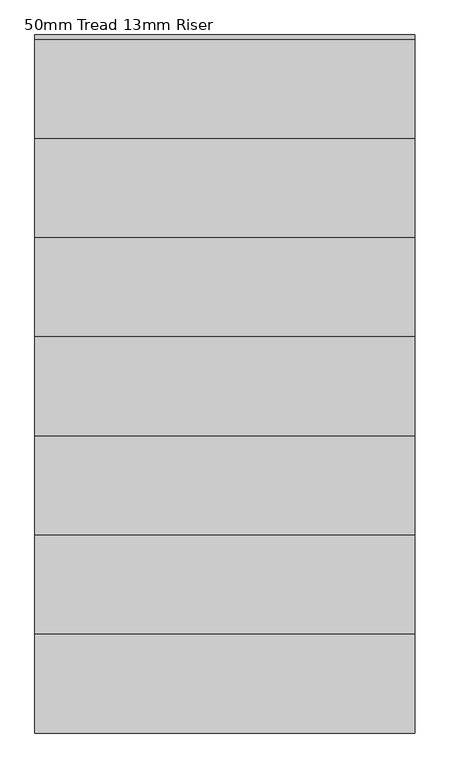
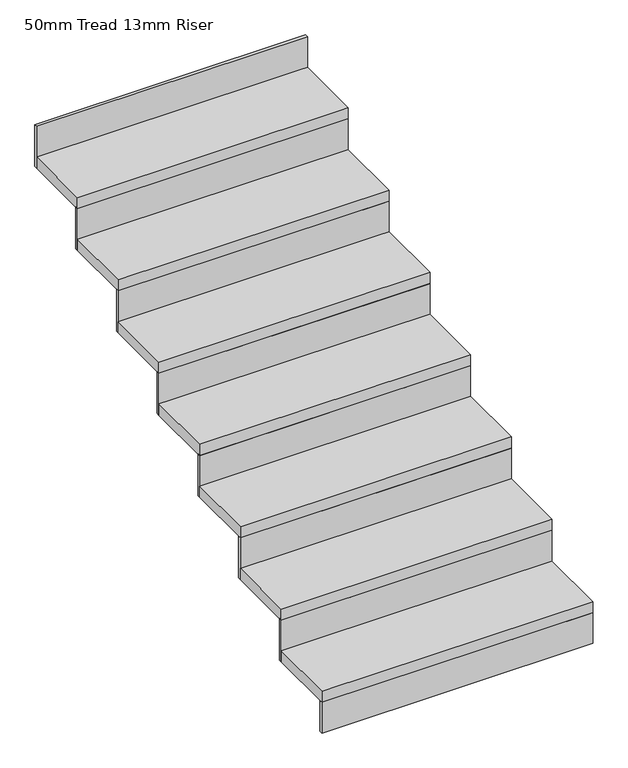
"""IFC4 building model written with IfcOpenShell, lengths in millimetres: stair flight geometry, 50mm Tread 13mm Riser."""

from ifc_helpers import new_model, si_unit, frame, origin, place, context, project, spatial, polyline, outline, extrude, source, transform, mapped, element, save


def stair_flight_50mm_tread_13mm_riser_17ae105f(model_context):
    return source(origin(), model_context, "Body", "SweptSolid", [
        extrude(outline(polyline([(1534.355623, -11459.865151), (1534.355623, -11472.365151), (383.6347234, -11472.365151), (383.6347234, -11459.865151), (1534.355623, -11459.865151)])), frame((0.0, 0.0, 6000.0), z_axis=(0.0, 0.0, 1.0), x_axis=(1.0, 0.0, 0.0)), (0.0, 0.0, 1.0), 137.5),
        extrude(outline(polyline([(383.6347234, -11172.365151), (1534.355623, -11172.365151), (1534.355623, -11472.365151), (383.6347234, -11472.365151), (383.6347234, -11172.365151)])), frame((0.0, 0.0, 6137.5), z_axis=(0.0, 0.0, 1.0), x_axis=(1.0, 0.0, 0.0)), (0.0, 0.0, 1.0), 50.0),
        extrude(outline(polyline([(1534.355623, -11159.865151), (1534.355623, -11172.365151), (383.6347234, -11172.365151), (383.6347234, -11159.865151), (1534.355623, -11159.865151)])), frame((0.0, 0.0, 6137.5), z_axis=(0.0, 0.0, 1.0), x_axis=(1.0, 0.0, 0.0)), (0.0, 0.0, 1.0), 187.5),
        extrude(outline(polyline([(383.6347234, -10872.365151), (1534.355623, -10872.365151), (1534.355623, -11172.365151), (383.6347234, -11172.365151), (383.6347234, -10872.365151)])), frame((0.0, 0.0, 6325.0), z_axis=(0.0, 0.0, 1.0), x_axis=(1.0, 0.0, 0.0)), (0.0, 0.0, 1.0), 50.0),
        extrude(outline(polyline([(1534.355623, -10859.865151), (1534.355623, -10872.365151), (383.6347234, -10872.365151), (383.6347234, -10859.865151), (1534.355623, -10859.865151)])), frame((0.0, 0.0, 6325.0), z_axis=(0.0, 0.0, 1.0), x_axis=(1.0, 0.0, 0.0)), (0.0, 0.0, 1.0), 187.5),
        extrude(outline(polyline([(383.6347234, -10572.365151), (1534.355623, -10572.365151), (1534.355623, -10872.365151), (383.6347234, -10872.365151), (383.6347234, -10572.365151)])), frame((0.0, 0.0, 6512.5), z_axis=(0.0, 0.0, 1.0), x_axis=(1.0, 0.0, 0.0)), (0.0, 0.0, 1.0), 50.0),
        extrude(outline(polyline([(1534.355623, -10559.865151), (1534.355623, -10572.365151), (383.6347234, -10572.365151), (383.6347234, -10559.865151), (1534.355623, -10559.865151)])), frame((0.0, 0.0, 6512.5), z_axis=(0.0, 0.0, 1.0), x_axis=(1.0, 0.0, 0.0)), (0.0, 0.0, 1.0), 187.5),
        extrude(outline(polyline([(383.6347234, -10272.365151), (1534.355623, -10272.365151), (1534.355623, -10572.365151), (383.6347234, -10572.365151), (383.6347234, -10272.365151)])), frame((0.0, 0.0, 6700.0), z_axis=(0.0, 0.0, 1.0), x_axis=(1.0, 0.0, 0.0)), (0.0, 0.0, 1.0), 50.0),
        extrude(outline(polyline([(1534.355623, -10259.865151), (1534.355623, -10272.365151), (383.6347234, -10272.365151), (383.6347234, -10259.865151), (1534.355623, -10259.865151)])), frame((0.0, 0.0, 6700.0), z_axis=(0.0, 0.0, 1.0), x_axis=(1.0, 0.0, 0.0)), (0.0, 0.0, 1.0), 187.5),
        extrude(outline(polyline([(383.6347234, -9972.365151), (1534.355623, -9972.365151), (1534.355623, -10272.365151), (383.6347234, -10272.365151), (383.6347234, -9972.365151)])), frame((0.0, 0.0, 6887.5), z_axis=(0.0, 0.0, 1.0), x_axis=(1.0, 0.0, 0.0)), (0.0, 0.0, 1.0), 50.0),
        extrude(outline(polyline([(1534.355623, -9959.865151), (1534.355623, -9972.365151), (383.6347234, -9972.365151), (383.6347234, -9959.865151), (1534.355623, -9959.865151)])), frame((0.0, 0.0, 6887.5), z_axis=(0.0, 0.0, 1.0), x_axis=(1.0, 0.0, 0.0)), (0.0, 0.0, 1.0), 187.5),
        extrude(outline(polyline([(383.6347234, -9672.365151), (1534.355623, -9672.365151), (1534.355623, -9972.365151), (383.6347234, -9972.365151), (383.6347234, -9672.365151)])), frame((0.0, 0.0, 7075.0), z_axis=(0.0, 0.0, 1.0), x_axis=(1.0, 0.0, 0.0)), (0.0, 0.0, 1.0), 50.0),
        extrude(outline(polyline([(1534.355623, -9659.865151), (1534.355623, -9672.365151), (383.6347234, -9672.365151), (383.6347234, -9659.865151), (1534.355623, -9659.865151)])), frame((0.0, 0.0, 7075.0), z_axis=(0.0, 0.0, 1.0), x_axis=(1.0, 0.0, 0.0)), (0.0, 0.0, 1.0), 187.5),
        extrude(outline(polyline([(1534.355623, -9359.865151), (1534.355623, -9372.365151), (383.6347234, -9372.365151), (383.6347234, -9359.865151), (1534.355623, -9359.865151)])), frame((0.0, 0.0, 7262.5), z_axis=(0.0, 0.0, 1.0), x_axis=(1.0, 0.0, 0.0)), (0.0, 0.0, 1.0), 187.5),
        extrude(outline(polyline([(383.6347234, -9372.365151), (1534.355623, -9372.365151), (1534.355623, -9672.365151), (383.6347234, -9672.365151), (383.6347234, -9372.365151)])), frame((0.0, 0.0, 7262.5), z_axis=(0.0, 0.0, 1.0), x_axis=(1.0, 0.0, 0.0)), (0.0, 0.0, 1.0), 50.0),
    ])


if __name__ == "__main__":
    model = new_model("IFC4")
    model_context = context("Model", 3, world=origin())
    ifc_project = project(units=[si_unit("LENGTHUNIT", "METRE", prefix="MILLI")], contexts=[model_context])
    site = spatial("IfcSite", under=ifc_project)
    building = spatial("IfcBuilding", under=site)
    placement = place(None, origin())
    stair_flight_50mm_tread_13mm_riser_shape = stair_flight_50mm_tread_13mm_riser_17ae105f(model_context)
    element("IfcStairFlight", 1, ObjectType="50mm Tread 13mm Riser", at=placement, inside=building, context=model_context, shape_type="MappedRepresentation", body=[
        mapped(stair_flight_50mm_tread_13mm_riser_shape, transform((0.0, 0.0, 0.0), x_axis=(1.0, 0.0, 0.0), y_axis=(0.0, 1.0, 0.0), z_axis=(0.0, 0.0, 1.0))),
    ])
    save(model, "model.ifc")
